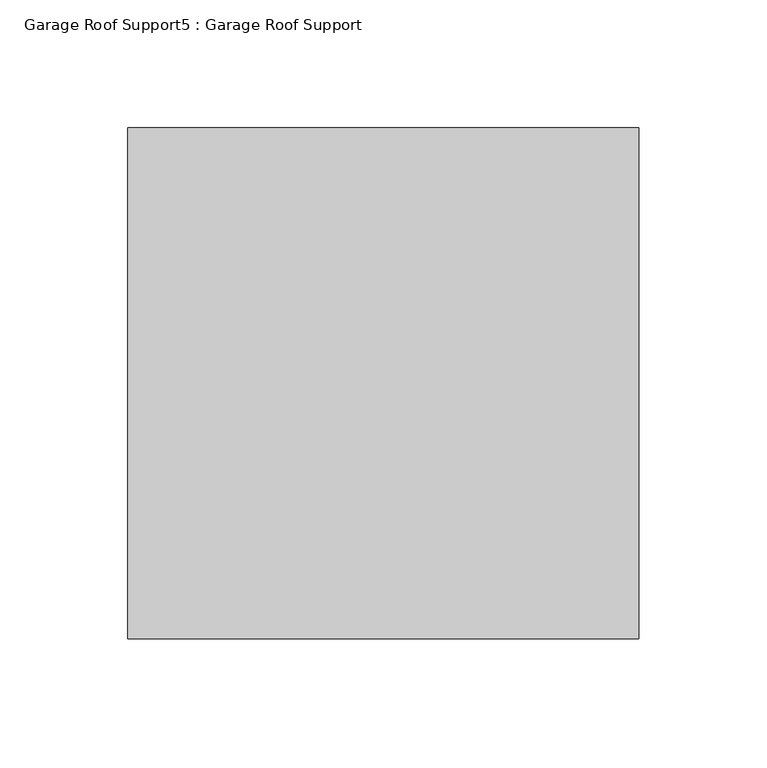
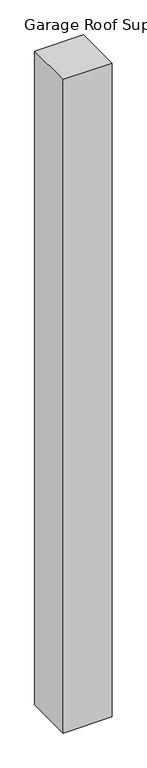
"""IFC4 building model written with IfcOpenShell, lengths in millimetres: proxy geometry, Garage Roof Support5 : Garage Roof Support."""

from ifc_helpers import new_model, si_unit, frame, origin, place, context, project, spatial, polyline, outline, extrude, source, transform, mapped, element, save


def garage_roof_support5_garage_roof_support_a78f810d(model_context):
    return source(origin(), model_context, "Body", "SweptSolid", [
        extrude(outline(polyline([(92667.4351186, -21332.9965434), (92667.4351186, -21532.9965434), (92467.4351186, -21532.9965434), (92467.4351186, -21332.9965434), (92667.4351186, -21332.9965434)])), frame((0.0, 0.0, 68000.0), z_axis=(0.0, 0.0, 1.0), x_axis=(1.0, 0.0, 0.0)), (0.0, 0.0, 1.0), 2820.0),
    ])


if __name__ == "__main__":
    model = new_model("IFC4")
    model_context = context("Model", 3, world=origin())
    ifc_project = project(units=[si_unit("LENGTHUNIT", "METRE", prefix="MILLI")], contexts=[model_context])
    site = spatial("IfcSite", under=ifc_project)
    building = spatial("IfcBuilding", under=site)
    placement = place(None, origin())
    garage_roof_support5_garage_roof_support_shape = garage_roof_support5_garage_roof_support_a78f810d(model_context)
    element("IfcBuildingElementProxy", 1, Name="Garage Roof Support5 : Garage Roof Support", ObjectType="Garage Roof Support5 : Garage Roof Support", at=placement, inside=building, context=model_context, shape_type="MappedRepresentation", body=[
        mapped(garage_roof_support5_garage_roof_support_shape, transform((0.0, 0.0, 0.0), x_axis=(1.0, 0.0, 0.0), y_axis=(0.0, 1.0, 0.0), z_axis=(0.0, 0.0, 1.0))),
    ])
    save(model, "model.ifc")
